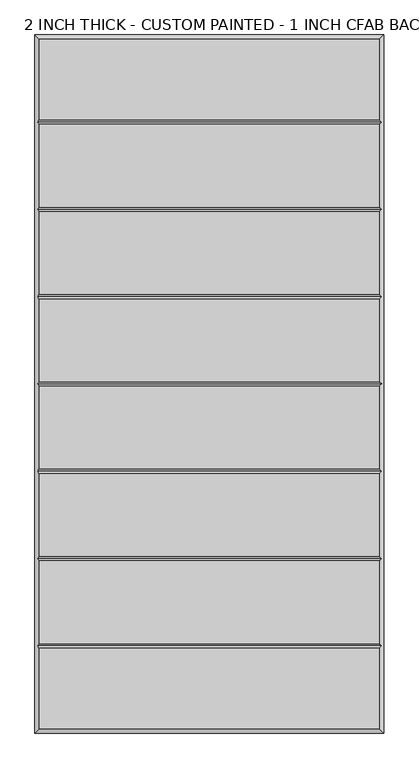
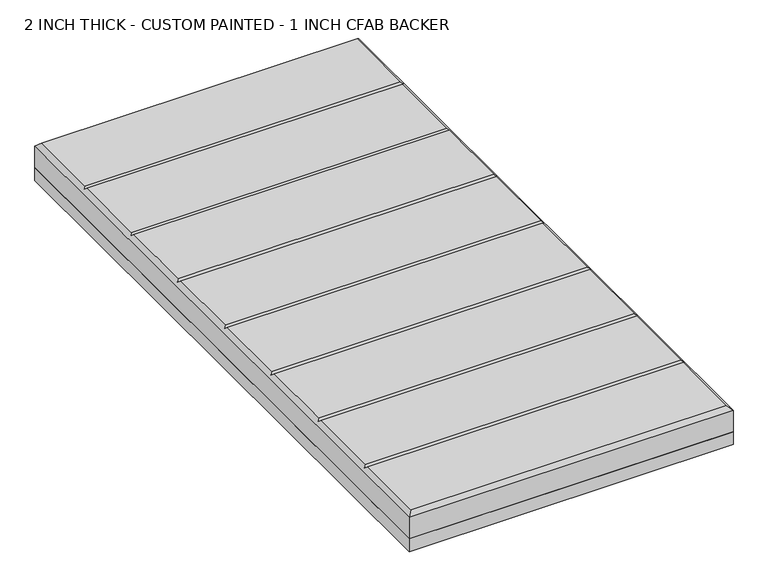
"""IFC4 building model written with IfcOpenShell, lengths in millimetres: proxy geometry, 2 INCH THICK - CUSTOM PAINTED - 1 INCH CFAB BACKER."""

from ifc_helpers import new_model, si_unit, frame, origin, place, context, project, spatial, polyline, outline, extrude, faceted_brep, source, transform, mapped, element, save


def proxy_2_inch_thick_custom_painted_1_inch_cfab_backer_13cbae8c(model_context):
    return source(origin(), model_context, "Body", "SolidModel", [
        extrude(outline(polyline([(-304.8, 609.6), (304.8, 609.6), (304.8, -609.6), (-304.8, -609.6), (-304.8, 609.6)])), frame((0.0, 0.0, -25.4), z_axis=(0.0, 0.0, 1.0), x_axis=(1.0, 0.0, 0.0)), (0.0, 0.0, 1.0), 25.4),
        faceted_brep([(296.799, 601.599, 50.8), (-296.799, 601.599, 50.8), (-296.799, 461.2005254, 50.8), (296.799, 461.2005254, 50.8), (-296.799, -601.599, 50.8), (296.799, -601.599, 50.8), (296.799, -461.2004746, 50.8), (-296.799, -461.2004746, 50.8), (296.799, 453.1995254, 50.8), (-296.799, 453.1995254, 50.8), (-296.799, 308.8005254, 50.8), (296.799, 308.8005254, 50.8), (296.799, -308.8005, 50.8), (-296.799, -308.8005, 50.8), (-296.799, -453.1994746, 50.8), (296.799, -453.1994746, 50.8), (-296.799, -300.7995, 50.8), (296.799, -300.7995, 50.8), (296.799, -156.4004746, 50.8), (-296.799, -156.4004746, 50.8), (296.799, 300.7995254, 50.8), (-296.799, 300.7995254, 50.8), (-296.799, 156.4005254, 50.8), (296.799, 156.4005254, 50.8), (296.799, 148.3995254, 50.8), (-296.799, 148.3995254, 50.8), (-296.799, 4.0005254, 50.8), (296.799, 4.0005254, 50.8), (296.799, -4.0004746, 50.8), (-296.799, -4.0004746, 50.8), (-296.799, -148.3994746, 50.8), (296.799, -148.3994746, 50.8), (-304.8, 609.6, 0.0), (304.8, 609.6, 0.0), (304.8, -609.6, 0.0), (-304.8, -609.6, 0.0), (-304.8, -609.6, 42.799), (-304.8, 609.6, 42.799), (304.8, -609.6, 42.799), (304.8, 609.6, 42.799), (-300.7995, -457.1999746, 46.7995), (-300.7995, -304.8, 46.7995), (-300.7995, -152.3999746, 46.7995), (-300.7995, 2.54e-05, 46.7995), (-300.7995, 152.4000254, 46.7995), (-300.7995, 304.8000254, 46.7995), (-300.7995, 457.2000254, 46.7995), (300.7995, 457.2000254, 46.7995), (300.7995, 304.8000254, 46.7995), (300.7995, 152.4000254, 46.7995), (300.7995, 2.54e-05, 46.7995), (300.7995, -152.3999746, 46.7995), (300.7995, -304.8, 46.7995), (300.7995, -457.1999746, 46.7995)], [[[0, 1, 2, 3]], [[4, 5, 6, 7]], [[8, 9, 10, 11]], [[12, 13, 14, 15]], [[16, 17, 18, 19]], [[20, 21, 22, 23]], [[24, 25, 26, 27]], [[28, 29, 30, 31]], [[32, 33, 34, 35]], [[32, 35, 36, 37]], [[35, 34, 38, 36]], [[34, 33, 39, 38]], [[33, 32, 37, 39]], [[37, 1, 0, 39]], [[1, 37, 36, 4, 7, 40, 14, 13, 41, 16, 19, 42, 30, 29, 43, 26, 25, 44, 22, 21, 45, 10, 9, 46, 2]], [[4, 36, 38, 5]], [[39, 0, 3, 47, 8, 11, 48, 20, 23, 49, 24, 27, 50, 28, 31, 51, 18, 17, 52, 12, 15, 53, 6, 5, 38]], [[47, 46, 9, 8]], [[46, 47, 3, 2]], [[52, 41, 13, 12]], [[41, 52, 17, 16]], [[53, 40, 7, 6]], [[40, 53, 15, 14]], [[48, 45, 21, 20]], [[45, 48, 11, 10]], [[49, 44, 25, 24]], [[44, 49, 23, 22]], [[50, 43, 29, 28]], [[43, 50, 27, 26]], [[51, 42, 19, 18]], [[42, 51, 31, 30]]]),
    ])


if __name__ == "__main__":
    model = new_model("IFC4")
    model_context = context("Model", 3, world=origin())
    ifc_project = project(units=[si_unit("LENGTHUNIT", "METRE", prefix="MILLI")], contexts=[model_context])
    site = spatial("IfcSite", under=ifc_project)
    building = spatial("IfcBuilding", under=site)
    placement = place(None, origin())
    proxy_2_inch_thick_custom_painted_1_inch_cfab_backer_shape = proxy_2_inch_thick_custom_painted_1_inch_cfab_backer_13cbae8c(model_context)
    element("IfcBuildingElementProxy", 1, Name="2 INCH THICK - CUSTOM PAINTED - 1 INCH CFAB BACKER", ObjectType="2 INCH THICK - CUSTOM PAINTED - 1 INCH CFAB BACKER", at=placement, inside=building, context=model_context, shape_type="MappedRepresentation", body=[
        mapped(proxy_2_inch_thick_custom_painted_1_inch_cfab_backer_shape, transform((0.0, 0.0, 0.0), x_axis=(1.0, 0.0, 0.0), y_axis=(0.0, 1.0, 0.0), z_axis=(0.0, 0.0, 1.0))),
    ])
    save(model, "model.ifc")
